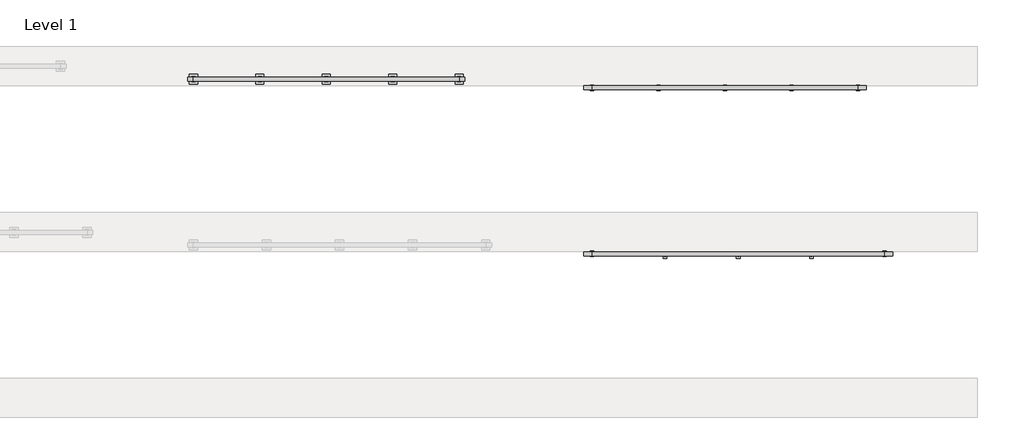
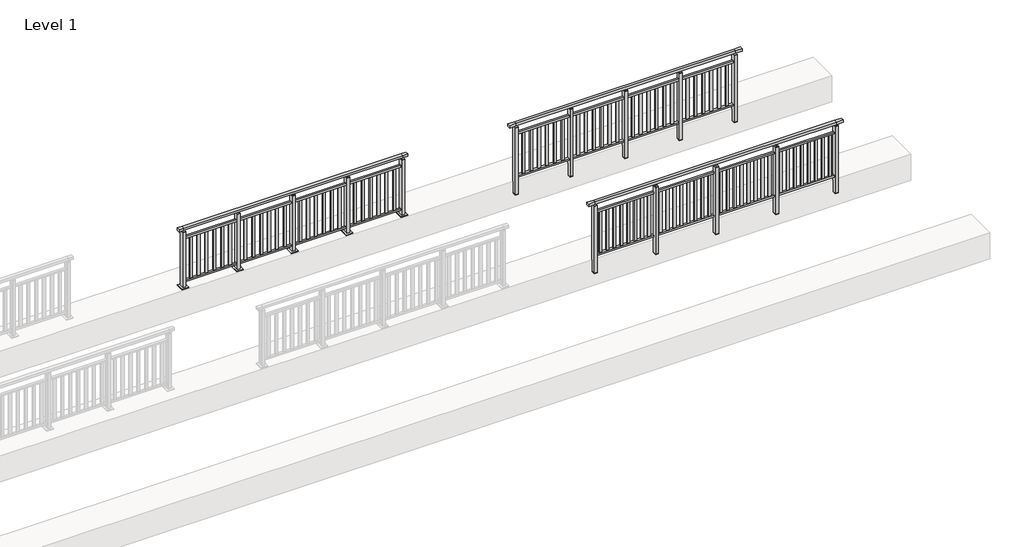
# One storey, part 25 of 38: 3 railings.
"""IFC4 building model written with IfcOpenShell, lengths in millimetres."""

from ifc_helpers import new_model, si_unit, frame, origin, origin_with_axes, place, context, project, spatial, polyline, outline, extrude, faceted_brep, element, save

model = new_model("IFC4")

# Units and contexts
model_context = context("Model", 3, world=origin())
ifc_project = project(units=[si_unit("LENGTHUNIT", "METRE", prefix="MILLI")], contexts=[model_context])

# Site, building, storey
site = spatial("IfcSite", under=ifc_project)
building = spatial("IfcBuilding", under=site)
storey = spatial("IfcBuildingStorey", under=building, Name="Level 1", Elevation=0.0)

# Railings
placement = place(None, origin())
element("IfcRailing", 1, at=placement, inside=storey, context=model_context, shape_type="SolidModel", body=[
    faceted_brep([(12000.0, 34897.6846828, 1102.5), (12000.0, 34897.6846828, 1150.0), (16400.0, 34897.6846828, 1150.0), (16400.0, 34897.6846828, 1102.5), (12000.0, 34837.6846828, 1102.5), (16400.0, 34837.6846828, 1102.5), (12000.0, 34837.6846828, 1150.0), (16400.0, 34837.6846828, 1150.0), (11877.0, 34897.6846828, 1150.0), (11877.0, 34897.6846828, 1102.5), (11877.0, 34837.6846828, 1102.5), (11877.0, 34837.6846828, 1150.0), (16523.0, 34897.6846828, 1150.0), (16523.0, 34837.6846828, 1150.0), (16523.0, 34837.6846828, 1102.5), (16523.0, 34897.6846828, 1102.5)], [[[0, 1, 2, 3]], [[4, 0, 3, 5]], [[6, 4, 5, 7]], [[1, 6, 7, 2]], [[8, 9, 10, 11]], [[9, 8, 1, 0]], [[10, 9, 0, 4]], [[11, 10, 4, 6]], [[8, 11, 6, 1]], [[12, 13, 14, 15]], [[3, 2, 12, 15]], [[5, 3, 15, 14]], [[7, 5, 14, 13]], [[2, 7, 13, 12]]]),
    extrude(outline(polyline([(12000.0, 34849.6846828), (12000.0, 34885.6846828), (16400.0, 34885.6846828), (16400.0, 34849.6846828), (12000.0, 34849.6846828)])), frame((0.0, 0.0, 928.0), z_axis=(0.0, 0.0, 1.0), x_axis=(1.0, 0.0, 0.0)), (0.0, 0.0, 1.0), 32.0),
    extrude(outline(polyline([(12000.0, 34849.6846828), (12000.0, 34885.6846828), (16400.0, 34885.6846828), (16400.0, 34849.6846828), (12000.0, 34849.6846828)])), frame((0.0, 0.0, 93.0), z_axis=(0.0, 0.0, 1.0), x_axis=(1.0, 0.0, 0.0)), (0.0, 0.0, 1.0), 32.0),
    extrude(outline(polyline([(16320.0307263, 34859.1846828), (16271.0307263, 34859.1846828), (16271.0307263, 34876.1846828), (16320.0307263, 34876.1846828), (16320.0307263, 34859.1846828)])), frame((0.0, 0.0, 125.0), z_axis=(0.0, 0.0, 1.0), x_axis=(1.0, 0.0, 0.0)), (0.0, 0.0, 1.0), 803.0),
    extrude(outline(polyline([(16192.736233, 34859.1846828), (16143.736233, 34859.1846828), (16143.736233, 34876.1846828), (16192.736233, 34876.1846828), (16192.736233, 34859.1846828)])), frame((0.0, 0.0, 125.0), z_axis=(0.0, 0.0, 1.0), x_axis=(1.0, 0.0, 0.0)), (0.0, 0.0, 1.0), 803.0),
    extrude(outline(polyline([(16065.4417398, 34859.1846828), (16016.4417398, 34859.1846828), (16016.4417398, 34876.1846828), (16065.4417398, 34876.1846828), (16065.4417398, 34859.1846828)])), frame((0.0, 0.0, 125.0), z_axis=(0.0, 0.0, 1.0), x_axis=(1.0, 0.0, 0.0)), (0.0, 0.0, 1.0), 803.0),
    extrude(outline(polyline([(15938.1472466, 34859.1846828), (15889.1472466, 34859.1846828), (15889.1472466, 34876.1846828), (15938.1472466, 34876.1846828), (15938.1472466, 34859.1846828)])), frame((0.0, 0.0, 125.0), z_axis=(0.0, 0.0, 1.0), x_axis=(1.0, 0.0, 0.0)), (0.0, 0.0, 1.0), 803.0),
    extrude(outline(polyline([(15810.8527534, 34859.1846828), (15761.8527534, 34859.1846828), (15761.8527534, 34876.1846828), (15810.8527534, 34876.1846828), (15810.8527534, 34859.1846828)])), frame((0.0, 0.0, 125.0), z_axis=(0.0, 0.0, 1.0), x_axis=(1.0, 0.0, 0.0)), (0.0, 0.0, 1.0), 803.0),
    extrude(outline(polyline([(15683.5582602, 34859.1846828), (15634.5582602, 34859.1846828), (15634.5582602, 34876.1846828), (15683.5582602, 34876.1846828), (15683.5582602, 34859.1846828)])), frame((0.0, 0.0, 125.0), z_axis=(0.0, 0.0, 1.0), x_axis=(1.0, 0.0, 0.0)), (0.0, 0.0, 1.0), 803.0),
    extrude(outline(polyline([(15556.263767, 34859.1846828), (15507.263767, 34859.1846828), (15507.263767, 34876.1846828), (15556.263767, 34876.1846828), (15556.263767, 34859.1846828)])), frame((0.0, 0.0, 125.0), z_axis=(0.0, 0.0, 1.0), x_axis=(1.0, 0.0, 0.0)), (0.0, 0.0, 1.0), 803.0),
    extrude(outline(polyline([(15428.9692737, 34859.1846828), (15379.9692737, 34859.1846828), (15379.9692737, 34876.1846828), (15428.9692737, 34876.1846828), (15428.9692737, 34859.1846828)])), frame((0.0, 0.0, 125.0), z_axis=(0.0, 0.0, 1.0), x_axis=(1.0, 0.0, 0.0)), (0.0, 0.0, 1.0), 803.0),
    extrude(outline(polyline([(15327.0, 34873.6846828), (15327.0, 34795.6846828), (15273.0, 34795.6846828), (15273.0, 34873.6846828), (15327.0, 34873.6846828)])), frame((0.0, 0.0, 1077.0), z_axis=(0.0, 0.0, 1.0), x_axis=(1.0, 0.0, 0.0)), (0.0, 0.0, 1.0), 8.0),
    extrude(outline(polyline([(15327.0, 34873.6846828), (15327.0, 34795.6846828), (15273.0, 34795.6846828), (15273.0, 34873.6846828), (15327.0, 34873.6846828)])), frame((0.0, 0.0, -212.0), z_axis=(0.0, 0.0, 1.0), x_axis=(1.0, 0.0, 0.0)), (0.0, 0.0, 1.0), 1289.0),
    extrude(outline(polyline([(15310.0, 34844.6846828), (15310.0, 34824.6846828), (15290.0, 34824.6846828), (15290.0, 34844.6846828), (15310.0, 34844.6846828)])), frame((0.0, 0.0, 1085.0), z_axis=(0.0, 0.0, 1.0), x_axis=(1.0, 0.0, 0.0)), (0.0, 0.0, 1.0), 20.0),
    extrude(outline(polyline([(15327.0, 34873.6846828), (15327.0, 34795.6846828), (15273.0, 34795.6846828), (15273.0, 34873.6846828), (15327.0, 34873.6846828)])), frame((0.0, 0.0, -220.0), z_axis=(0.0, 0.0, 1.0), x_axis=(1.0, 0.0, 0.0)), (0.0, 0.0, 1.0), 8.0),
    extrude(outline(polyline([(15220.0307263, 34859.1846828), (15171.0307263, 34859.1846828), (15171.0307263, 34876.1846828), (15220.0307263, 34876.1846828), (15220.0307263, 34859.1846828)])), frame((0.0, 0.0, 125.0), z_axis=(0.0, 0.0, 1.0), x_axis=(1.0, 0.0, 0.0)), (0.0, 0.0, 1.0), 803.0),
    extrude(outline(polyline([(15092.736233, 34859.1846828), (15043.736233, 34859.1846828), (15043.736233, 34876.1846828), (15092.736233, 34876.1846828), (15092.736233, 34859.1846828)])), frame((0.0, 0.0, 125.0), z_axis=(0.0, 0.0, 1.0), x_axis=(1.0, 0.0, 0.0)), (0.0, 0.0, 1.0), 803.0),
    extrude(outline(polyline([(14965.4417398, 34859.1846828), (14916.4417398, 34859.1846828), (14916.4417398, 34876.1846828), (14965.4417398, 34876.1846828), (14965.4417398, 34859.1846828)])), frame((0.0, 0.0, 125.0), z_axis=(0.0, 0.0, 1.0), x_axis=(1.0, 0.0, 0.0)), (0.0, 0.0, 1.0), 803.0),
    extrude(outline(polyline([(14838.1472466, 34859.1846828), (14789.1472466, 34859.1846828), (14789.1472466, 34876.1846828), (14838.1472466, 34876.1846828), (14838.1472466, 34859.1846828)])), frame((0.0, 0.0, 125.0), z_axis=(0.0, 0.0, 1.0), x_axis=(1.0, 0.0, 0.0)), (0.0, 0.0, 1.0), 803.0),
    extrude(outline(polyline([(14710.8527534, 34859.1846828), (14661.8527534, 34859.1846828), (14661.8527534, 34876.1846828), (14710.8527534, 34876.1846828), (14710.8527534, 34859.1846828)])), frame((0.0, 0.0, 125.0), z_axis=(0.0, 0.0, 1.0), x_axis=(1.0, 0.0, 0.0)), (0.0, 0.0, 1.0), 803.0),
    extrude(outline(polyline([(14583.5582602, 34859.1846828), (14534.5582602, 34859.1846828), (14534.5582602, 34876.1846828), (14583.5582602, 34876.1846828), (14583.5582602, 34859.1846828)])), frame((0.0, 0.0, 125.0), z_axis=(0.0, 0.0, 1.0), x_axis=(1.0, 0.0, 0.0)), (0.0, 0.0, 1.0), 803.0),
    extrude(outline(polyline([(14456.263767, 34859.1846828), (14407.263767, 34859.1846828), (14407.263767, 34876.1846828), (14456.263767, 34876.1846828), (14456.263767, 34859.1846828)])), frame((0.0, 0.0, 125.0), z_axis=(0.0, 0.0, 1.0), x_axis=(1.0, 0.0, 0.0)), (0.0, 0.0, 1.0), 803.0),
    extrude(outline(polyline([(14328.9692737, 34859.1846828), (14279.9692737, 34859.1846828), (14279.9692737, 34876.1846828), (14328.9692737, 34876.1846828), (14328.9692737, 34859.1846828)])), frame((0.0, 0.0, 125.0), z_axis=(0.0, 0.0, 1.0), x_axis=(1.0, 0.0, 0.0)), (0.0, 0.0, 1.0), 803.0),
    extrude(outline(polyline([(14227.0, 34873.6846828), (14227.0, 34795.6846828), (14173.0, 34795.6846828), (14173.0, 34873.6846828), (14227.0, 34873.6846828)])), frame((0.0, 0.0, 1077.0), z_axis=(0.0, 0.0, 1.0), x_axis=(1.0, 0.0, 0.0)), (0.0, 0.0, 1.0), 8.0),
    extrude(outline(polyline([(14227.0, 34873.6846828), (14227.0, 34795.6846828), (14173.0, 34795.6846828), (14173.0, 34873.6846828), (14227.0, 34873.6846828)])), frame((0.0, 0.0, -212.0), z_axis=(0.0, 0.0, 1.0), x_axis=(1.0, 0.0, 0.0)), (0.0, 0.0, 1.0), 1289.0),
    extrude(outline(polyline([(14210.0, 34844.6846828), (14210.0, 34824.6846828), (14190.0, 34824.6846828), (14190.0, 34844.6846828), (14210.0, 34844.6846828)])), frame((0.0, 0.0, 1085.0), z_axis=(0.0, 0.0, 1.0), x_axis=(1.0, 0.0, 0.0)), (0.0, 0.0, 1.0), 20.0),
    extrude(outline(polyline([(14227.0, 34873.6846828), (14227.0, 34795.6846828), (14173.0, 34795.6846828), (14173.0, 34873.6846828), (14227.0, 34873.6846828)])), frame((0.0, 0.0, -220.0), z_axis=(0.0, 0.0, 1.0), x_axis=(1.0, 0.0, 0.0)), (0.0, 0.0, 1.0), 8.0),
    extrude(outline(polyline([(14120.0307263, 34859.1846828), (14071.0307263, 34859.1846828), (14071.0307263, 34876.1846828), (14120.0307263, 34876.1846828), (14120.0307263, 34859.1846828)])), frame((0.0, 0.0, 125.0), z_axis=(0.0, 0.0, 1.0), x_axis=(1.0, 0.0, 0.0)), (0.0, 0.0, 1.0), 803.0),
    extrude(outline(polyline([(13992.736233, 34859.1846828), (13943.736233, 34859.1846828), (13943.736233, 34876.1846828), (13992.736233, 34876.1846828), (13992.736233, 34859.1846828)])), frame((0.0, 0.0, 125.0), z_axis=(0.0, 0.0, 1.0), x_axis=(1.0, 0.0, 0.0)), (0.0, 0.0, 1.0), 803.0),
    extrude(outline(polyline([(13865.4417398, 34859.1846828), (13816.4417398, 34859.1846828), (13816.4417398, 34876.1846828), (13865.4417398, 34876.1846828), (13865.4417398, 34859.1846828)])), frame((0.0, 0.0, 125.0), z_axis=(0.0, 0.0, 1.0), x_axis=(1.0, 0.0, 0.0)), (0.0, 0.0, 1.0), 803.0),
    extrude(outline(polyline([(13738.1472466, 34859.1846828), (13689.1472466, 34859.1846828), (13689.1472466, 34876.1846828), (13738.1472466, 34876.1846828), (13738.1472466, 34859.1846828)])), frame((0.0, 0.0, 125.0), z_axis=(0.0, 0.0, 1.0), x_axis=(1.0, 0.0, 0.0)), (0.0, 0.0, 1.0), 803.0),
    extrude(outline(polyline([(13610.8527534, 34859.1846828), (13561.8527534, 34859.1846828), (13561.8527534, 34876.1846828), (13610.8527534, 34876.1846828), (13610.8527534, 34859.1846828)])), frame((0.0, 0.0, 125.0), z_axis=(0.0, 0.0, 1.0), x_axis=(1.0, 0.0, 0.0)), (0.0, 0.0, 1.0), 803.0),
    extrude(outline(polyline([(13483.5582602, 34859.1846828), (13434.5582602, 34859.1846828), (13434.5582602, 34876.1846828), (13483.5582602, 34876.1846828), (13483.5582602, 34859.1846828)])), frame((0.0, 0.0, 125.0), z_axis=(0.0, 0.0, 1.0), x_axis=(1.0, 0.0, 0.0)), (0.0, 0.0, 1.0), 803.0),
    extrude(outline(polyline([(13356.263767, 34859.1846828), (13307.263767, 34859.1846828), (13307.263767, 34876.1846828), (13356.263767, 34876.1846828), (13356.263767, 34859.1846828)])), frame((0.0, 0.0, 125.0), z_axis=(0.0, 0.0, 1.0), x_axis=(1.0, 0.0, 0.0)), (0.0, 0.0, 1.0), 803.0),
    extrude(outline(polyline([(13228.9692737, 34859.1846828), (13179.9692737, 34859.1846828), (13179.9692737, 34876.1846828), (13228.9692737, 34876.1846828), (13228.9692737, 34859.1846828)])), frame((0.0, 0.0, 125.0), z_axis=(0.0, 0.0, 1.0), x_axis=(1.0, 0.0, 0.0)), (0.0, 0.0, 1.0), 803.0),
    extrude(outline(polyline([(13127.0, 34873.6846828), (13127.0, 34795.6846828), (13073.0, 34795.6846828), (13073.0, 34873.6846828), (13127.0, 34873.6846828)])), frame((0.0, 0.0, 1077.0), z_axis=(0.0, 0.0, 1.0), x_axis=(1.0, 0.0, 0.0)), (0.0, 0.0, 1.0), 8.0),
    extrude(outline(polyline([(13127.0, 34873.6846828), (13127.0, 34795.6846828), (13073.0, 34795.6846828), (13073.0, 34873.6846828), (13127.0, 34873.6846828)])), frame((0.0, 0.0, -212.0), z_axis=(0.0, 0.0, 1.0), x_axis=(1.0, 0.0, 0.0)), (0.0, 0.0, 1.0), 1289.0),
    extrude(outline(polyline([(13110.0, 34844.6846828), (13110.0, 34824.6846828), (13090.0, 34824.6846828), (13090.0, 34844.6846828), (13110.0, 34844.6846828)])), frame((0.0, 0.0, 1085.0), z_axis=(0.0, 0.0, 1.0), x_axis=(1.0, 0.0, 0.0)), (0.0, 0.0, 1.0), 20.0),
    extrude(outline(polyline([(13127.0, 34873.6846828), (13127.0, 34795.6846828), (13073.0, 34795.6846828), (13073.0, 34873.6846828), (13127.0, 34873.6846828)])), frame((0.0, 0.0, -220.0), z_axis=(0.0, 0.0, 1.0), x_axis=(1.0, 0.0, 0.0)), (0.0, 0.0, 1.0), 8.0),
    extrude(outline(polyline([(13020.0307263, 34859.1846828), (12971.0307263, 34859.1846828), (12971.0307263, 34876.1846828), (13020.0307263, 34876.1846828), (13020.0307263, 34859.1846828)])), frame((0.0, 0.0, 125.0), z_axis=(0.0, 0.0, 1.0), x_axis=(1.0, 0.0, 0.0)), (0.0, 0.0, 1.0), 803.0),
    extrude(outline(polyline([(12892.736233, 34859.1846828), (12843.736233, 34859.1846828), (12843.736233, 34876.1846828), (12892.736233, 34876.1846828), (12892.736233, 34859.1846828)])), frame((0.0, 0.0, 125.0), z_axis=(0.0, 0.0, 1.0), x_axis=(1.0, 0.0, 0.0)), (0.0, 0.0, 1.0), 803.0),
    extrude(outline(polyline([(12765.4417398, 34859.1846828), (12716.4417398, 34859.1846828), (12716.4417398, 34876.1846828), (12765.4417398, 34876.1846828), (12765.4417398, 34859.1846828)])), frame((0.0, 0.0, 125.0), z_axis=(0.0, 0.0, 1.0), x_axis=(1.0, 0.0, 0.0)), (0.0, 0.0, 1.0), 803.0),
    extrude(outline(polyline([(12638.1472466, 34859.1846828), (12589.1472466, 34859.1846828), (12589.1472466, 34876.1846828), (12638.1472466, 34876.1846828), (12638.1472466, 34859.1846828)])), frame((0.0, 0.0, 125.0), z_axis=(0.0, 0.0, 1.0), x_axis=(1.0, 0.0, 0.0)), (0.0, 0.0, 1.0), 803.0),
    extrude(outline(polyline([(12510.8527534, 34859.1846828), (12461.8527534, 34859.1846828), (12461.8527534, 34876.1846828), (12510.8527534, 34876.1846828), (12510.8527534, 34859.1846828)])), frame((0.0, 0.0, 125.0), z_axis=(0.0, 0.0, 1.0), x_axis=(1.0, 0.0, 0.0)), (0.0, 0.0, 1.0), 803.0),
    extrude(outline(polyline([(12383.5582602, 34859.1846828), (12334.5582602, 34859.1846828), (12334.5582602, 34876.1846828), (12383.5582602, 34876.1846828), (12383.5582602, 34859.1846828)])), frame((0.0, 0.0, 125.0), z_axis=(0.0, 0.0, 1.0), x_axis=(1.0, 0.0, 0.0)), (0.0, 0.0, 1.0), 803.0),
    extrude(outline(polyline([(12256.263767, 34859.1846828), (12207.263767, 34859.1846828), (12207.263767, 34876.1846828), (12256.263767, 34876.1846828), (12256.263767, 34859.1846828)])), frame((0.0, 0.0, 125.0), z_axis=(0.0, 0.0, 1.0), x_axis=(1.0, 0.0, 0.0)), (0.0, 0.0, 1.0), 803.0),
    extrude(outline(polyline([(12128.9692737, 34859.1846828), (12079.9692737, 34859.1846828), (12079.9692737, 34876.1846828), (12128.9692737, 34876.1846828), (12128.9692737, 34859.1846828)])), frame((0.0, 0.0, 125.0), z_axis=(0.0, 0.0, 1.0), x_axis=(1.0, 0.0, 0.0)), (0.0, 0.0, 1.0), 803.0),
    extrude(outline(polyline([(16427.0, 34906.6846828), (16427.0, 34828.6846828), (16373.0, 34828.6846828), (16373.0, 34906.6846828), (16427.0, 34906.6846828)])), frame((0.0, 0.0, 1077.0), z_axis=(0.0, 0.0, 1.0), x_axis=(1.0, 0.0, 0.0)), (0.0, 0.0, 1.0), 8.0),
    extrude(outline(polyline([(16427.0, 34906.6846828), (16427.0, 34828.6846828), (16373.0, 34828.6846828), (16373.0, 34906.6846828), (16427.0, 34906.6846828)])), frame((0.0, 0.0, -212.0), z_axis=(0.0, 0.0, 1.0), x_axis=(1.0, 0.0, 0.0)), (0.0, 0.0, 1.0), 1289.0),
    extrude(outline(polyline([(16410.0, 34877.6846828), (16410.0, 34857.6846828), (16390.0, 34857.6846828), (16390.0, 34877.6846828), (16410.0, 34877.6846828)])), frame((0.0, 0.0, 1085.0), z_axis=(0.0, 0.0, 1.0), x_axis=(1.0, 0.0, 0.0)), (0.0, 0.0, 1.0), 20.0),
    extrude(outline(polyline([(16427.0, 34906.6846828), (16427.0, 34828.6846828), (16373.0, 34828.6846828), (16373.0, 34906.6846828), (16427.0, 34906.6846828)])), frame((0.0, 0.0, -220.0), z_axis=(0.0, 0.0, 1.0), x_axis=(1.0, 0.0, 0.0)), (0.0, 0.0, 1.0), 8.0),
    extrude(outline(polyline([(12027.0, 34906.6846828), (12027.0, 34828.6846828), (11973.0, 34828.6846828), (11973.0, 34906.6846828), (12027.0, 34906.6846828)])), frame((0.0, 0.0, 1077.0), z_axis=(0.0, 0.0, 1.0), x_axis=(1.0, 0.0, 0.0)), (0.0, 0.0, 1.0), 8.0),
    extrude(outline(polyline([(12027.0, 34906.6846828), (12027.0, 34828.6846828), (11973.0, 34828.6846828), (11973.0, 34906.6846828), (12027.0, 34906.6846828)])), frame((0.0, 0.0, -212.0), z_axis=(0.0, 0.0, 1.0), x_axis=(1.0, 0.0, 0.0)), (0.0, 0.0, 1.0), 1289.0),
    extrude(outline(polyline([(12010.0, 34877.6846828), (12010.0, 34857.6846828), (11990.0, 34857.6846828), (11990.0, 34877.6846828), (12010.0, 34877.6846828)])), frame((0.0, 0.0, 1085.0), z_axis=(0.0, 0.0, 1.0), x_axis=(1.0, 0.0, 0.0)), (0.0, 0.0, 1.0), 20.0),
    extrude(outline(polyline([(12027.0, 34906.6846828), (12027.0, 34828.6846828), (11973.0, 34828.6846828), (11973.0, 34906.6846828), (12027.0, 34906.6846828)])), frame((0.0, 0.0, -220.0), z_axis=(0.0, 0.0, 1.0), x_axis=(1.0, 0.0, 0.0)), (0.0, 0.0, 1.0), 8.0),
])
element("IfcRailing", 2, at=placement, inside=storey, context=model_context, shape_type="SolidModel", body=[
    faceted_brep([(12000.0, 37397.6846828, 1102.5), (12000.0, 37397.6846828, 1150.0), (16000.0, 37397.6846828, 1150.0), (16000.0, 37397.6846828, 1102.5), (12000.0, 37337.6846828, 1102.5), (16000.0, 37337.6846828, 1102.5), (12000.0, 37337.6846828, 1150.0), (16000.0, 37337.6846828, 1150.0), (11877.0, 37397.6846828, 1150.0), (11877.0, 37397.6846828, 1102.5), (11877.0, 37337.6846828, 1102.5), (11877.0, 37337.6846828, 1150.0), (16123.0, 37397.6846828, 1150.0), (16123.0, 37337.6846828, 1150.0), (16123.0, 37337.6846828, 1102.5), (16123.0, 37397.6846828, 1102.5)], [[[0, 1, 2, 3]], [[4, 0, 3, 5]], [[6, 4, 5, 7]], [[1, 6, 7, 2]], [[8, 9, 10, 11]], [[9, 8, 1, 0]], [[10, 9, 0, 4]], [[11, 10, 4, 6]], [[8, 11, 6, 1]], [[12, 13, 14, 15]], [[3, 2, 12, 15]], [[5, 3, 15, 14]], [[7, 5, 14, 13]], [[2, 7, 13, 12]]]),
    extrude(outline(polyline([(12000.0, 37349.6846828), (12000.0, 37385.6846828), (16000.0, 37385.6846828), (16000.0, 37349.6846828), (12000.0, 37349.6846828)])), frame((0.0, 0.0, 928.0), z_axis=(0.0, 0.0, 1.0), x_axis=(1.0, 0.0, 0.0)), (0.0, 0.0, 1.0), 32.0),
    extrude(outline(polyline([(12000.0, 37349.6846828), (12000.0, 37385.6846828), (16000.0, 37385.6846828), (16000.0, 37349.6846828), (12000.0, 37349.6846828)])), frame((0.0, 0.0, 93.0), z_axis=(0.0, 0.0, 1.0), x_axis=(1.0, 0.0, 0.0)), (0.0, 0.0, 1.0), 32.0),
    extrude(outline(polyline([(15884.480139, 37359.1846828), (15835.480139, 37359.1846828), (15835.480139, 37376.1846828), (15884.480139, 37376.1846828), (15884.480139, 37359.1846828)])), frame((0.0, 0.0, 125.0), z_axis=(0.0, 0.0, 1.0), x_axis=(1.0, 0.0, 0.0)), (0.0, 0.0, 1.0), 803.0),
    extrude(outline(polyline([(15740.4880834, 37359.1846828), (15691.4880834, 37359.1846828), (15691.4880834, 37376.1846828), (15740.4880834, 37376.1846828), (15740.4880834, 37359.1846828)])), frame((0.0, 0.0, 125.0), z_axis=(0.0, 0.0, 1.0), x_axis=(1.0, 0.0, 0.0)), (0.0, 0.0, 1.0), 803.0),
    extrude(outline(polyline([(15596.4960278, 37359.1846828), (15547.4960278, 37359.1846828), (15547.4960278, 37376.1846828), (15596.4960278, 37376.1846828), (15596.4960278, 37359.1846828)])), frame((0.0, 0.0, 125.0), z_axis=(0.0, 0.0, 1.0), x_axis=(1.0, 0.0, 0.0)), (0.0, 0.0, 1.0), 803.0),
    extrude(outline(polyline([(15452.5039722, 37359.1846828), (15403.5039722, 37359.1846828), (15403.5039722, 37376.1846828), (15452.5039722, 37376.1846828), (15452.5039722, 37359.1846828)])), frame((0.0, 0.0, 125.0), z_axis=(0.0, 0.0, 1.0), x_axis=(1.0, 0.0, 0.0)), (0.0, 0.0, 1.0), 803.0),
    extrude(outline(polyline([(15308.5119166, 37359.1846828), (15259.5119166, 37359.1846828), (15259.5119166, 37376.1846828), (15308.5119166, 37376.1846828), (15308.5119166, 37359.1846828)])), frame((0.0, 0.0, 125.0), z_axis=(0.0, 0.0, 1.0), x_axis=(1.0, 0.0, 0.0)), (0.0, 0.0, 1.0), 803.0),
    extrude(outline(polyline([(15164.519861, 37359.1846828), (15115.519861, 37359.1846828), (15115.519861, 37376.1846828), (15164.519861, 37376.1846828), (15164.519861, 37359.1846828)])), frame((0.0, 0.0, 125.0), z_axis=(0.0, 0.0, 1.0), x_axis=(1.0, 0.0, 0.0)), (0.0, 0.0, 1.0), 803.0),
    extrude(outline(polyline([(15027.0, 37406.6846828), (15027.0, 37328.6846828), (14973.0, 37328.6846828), (14973.0, 37406.6846828), (15027.0, 37406.6846828)])), frame((0.0, 0.0, 1077.0), z_axis=(0.0, 0.0, 1.0), x_axis=(1.0, 0.0, 0.0)), (0.0, 0.0, 1.0), 8.0),
    extrude(outline(polyline([(15027.0, 37406.6846828), (15027.0, 37328.6846828), (14973.0, 37328.6846828), (14973.0, 37406.6846828), (15027.0, 37406.6846828)])), frame((0.0, 0.0, -212.0), z_axis=(0.0, 0.0, 1.0), x_axis=(1.0, 0.0, 0.0)), (0.0, 0.0, 1.0), 1289.0),
    extrude(outline(polyline([(15010.0, 37377.6846828), (15010.0, 37357.6846828), (14990.0, 37357.6846828), (14990.0, 37377.6846828), (15010.0, 37377.6846828)])), frame((0.0, 0.0, 1085.0), z_axis=(0.0, 0.0, 1.0), x_axis=(1.0, 0.0, 0.0)), (0.0, 0.0, 1.0), 20.0),
    extrude(outline(polyline([(15027.0, 37406.6846828), (15027.0, 37328.6846828), (14973.0, 37328.6846828), (14973.0, 37406.6846828), (15027.0, 37406.6846828)])), frame((0.0, 0.0, -220.0), z_axis=(0.0, 0.0, 1.0), x_axis=(1.0, 0.0, 0.0)), (0.0, 0.0, 1.0), 8.0),
    extrude(outline(polyline([(14884.480139, 37359.1846828), (14835.480139, 37359.1846828), (14835.480139, 37376.1846828), (14884.480139, 37376.1846828), (14884.480139, 37359.1846828)])), frame((0.0, 0.0, 125.0), z_axis=(0.0, 0.0, 1.0), x_axis=(1.0, 0.0, 0.0)), (0.0, 0.0, 1.0), 803.0),
    extrude(outline(polyline([(14740.4880834, 37359.1846828), (14691.4880834, 37359.1846828), (14691.4880834, 37376.1846828), (14740.4880834, 37376.1846828), (14740.4880834, 37359.1846828)])), frame((0.0, 0.0, 125.0), z_axis=(0.0, 0.0, 1.0), x_axis=(1.0, 0.0, 0.0)), (0.0, 0.0, 1.0), 803.0),
    extrude(outline(polyline([(14596.4960278, 37359.1846828), (14547.4960278, 37359.1846828), (14547.4960278, 37376.1846828), (14596.4960278, 37376.1846828), (14596.4960278, 37359.1846828)])), frame((0.0, 0.0, 125.0), z_axis=(0.0, 0.0, 1.0), x_axis=(1.0, 0.0, 0.0)), (0.0, 0.0, 1.0), 803.0),
    extrude(outline(polyline([(14452.5039722, 37359.1846828), (14403.5039722, 37359.1846828), (14403.5039722, 37376.1846828), (14452.5039722, 37376.1846828), (14452.5039722, 37359.1846828)])), frame((0.0, 0.0, 125.0), z_axis=(0.0, 0.0, 1.0), x_axis=(1.0, 0.0, 0.0)), (0.0, 0.0, 1.0), 803.0),
    extrude(outline(polyline([(14308.5119166, 37359.1846828), (14259.5119166, 37359.1846828), (14259.5119166, 37376.1846828), (14308.5119166, 37376.1846828), (14308.5119166, 37359.1846828)])), frame((0.0, 0.0, 125.0), z_axis=(0.0, 0.0, 1.0), x_axis=(1.0, 0.0, 0.0)), (0.0, 0.0, 1.0), 803.0),
    extrude(outline(polyline([(14164.519861, 37359.1846828), (14115.519861, 37359.1846828), (14115.519861, 37376.1846828), (14164.519861, 37376.1846828), (14164.519861, 37359.1846828)])), frame((0.0, 0.0, 125.0), z_axis=(0.0, 0.0, 1.0), x_axis=(1.0, 0.0, 0.0)), (0.0, 0.0, 1.0), 803.0),
    extrude(outline(polyline([(14027.0, 37406.6846828), (14027.0, 37328.6846828), (13973.0, 37328.6846828), (13973.0, 37406.6846828), (14027.0, 37406.6846828)])), frame((0.0, 0.0, 1077.0), z_axis=(0.0, 0.0, 1.0), x_axis=(1.0, 0.0, 0.0)), (0.0, 0.0, 1.0), 8.0),
    extrude(outline(polyline([(14027.0, 37406.6846828), (14027.0, 37328.6846828), (13973.0, 37328.6846828), (13973.0, 37406.6846828), (14027.0, 37406.6846828)])), frame((0.0, 0.0, -212.0), z_axis=(0.0, 0.0, 1.0), x_axis=(1.0, 0.0, 0.0)), (0.0, 0.0, 1.0), 1289.0),
    extrude(outline(polyline([(14010.0, 37377.6846828), (14010.0, 37357.6846828), (13990.0, 37357.6846828), (13990.0, 37377.6846828), (14010.0, 37377.6846828)])), frame((0.0, 0.0, 1085.0), z_axis=(0.0, 0.0, 1.0), x_axis=(1.0, 0.0, 0.0)), (0.0, 0.0, 1.0), 20.0),
    extrude(outline(polyline([(14027.0, 37406.6846828), (14027.0, 37328.6846828), (13973.0, 37328.6846828), (13973.0, 37406.6846828), (14027.0, 37406.6846828)])), frame((0.0, 0.0, -220.0), z_axis=(0.0, 0.0, 1.0), x_axis=(1.0, 0.0, 0.0)), (0.0, 0.0, 1.0), 8.0),
    extrude(outline(polyline([(13884.480139, 37359.1846828), (13835.480139, 37359.1846828), (13835.480139, 37376.1846828), (13884.480139, 37376.1846828), (13884.480139, 37359.1846828)])), frame((0.0, 0.0, 125.0), z_axis=(0.0, 0.0, 1.0), x_axis=(1.0, 0.0, 0.0)), (0.0, 0.0, 1.0), 803.0),
    extrude(outline(polyline([(13740.4880834, 37359.1846828), (13691.4880834, 37359.1846828), (13691.4880834, 37376.1846828), (13740.4880834, 37376.1846828), (13740.4880834, 37359.1846828)])), frame((0.0, 0.0, 125.0), z_axis=(0.0, 0.0, 1.0), x_axis=(1.0, 0.0, 0.0)), (0.0, 0.0, 1.0), 803.0),
    extrude(outline(polyline([(13596.4960278, 37359.1846828), (13547.4960278, 37359.1846828), (13547.4960278, 37376.1846828), (13596.4960278, 37376.1846828), (13596.4960278, 37359.1846828)])), frame((0.0, 0.0, 125.0), z_axis=(0.0, 0.0, 1.0), x_axis=(1.0, 0.0, 0.0)), (0.0, 0.0, 1.0), 803.0),
    extrude(outline(polyline([(13452.5039722, 37359.1846828), (13403.5039722, 37359.1846828), (13403.5039722, 37376.1846828), (13452.5039722, 37376.1846828), (13452.5039722, 37359.1846828)])), frame((0.0, 0.0, 125.0), z_axis=(0.0, 0.0, 1.0), x_axis=(1.0, 0.0, 0.0)), (0.0, 0.0, 1.0), 803.0),
    extrude(outline(polyline([(13308.5119166, 37359.1846828), (13259.5119166, 37359.1846828), (13259.5119166, 37376.1846828), (13308.5119166, 37376.1846828), (13308.5119166, 37359.1846828)])), frame((0.0, 0.0, 125.0), z_axis=(0.0, 0.0, 1.0), x_axis=(1.0, 0.0, 0.0)), (0.0, 0.0, 1.0), 803.0),
    extrude(outline(polyline([(13164.519861, 37359.1846828), (13115.519861, 37359.1846828), (13115.519861, 37376.1846828), (13164.519861, 37376.1846828), (13164.519861, 37359.1846828)])), frame((0.0, 0.0, 125.0), z_axis=(0.0, 0.0, 1.0), x_axis=(1.0, 0.0, 0.0)), (0.0, 0.0, 1.0), 803.0),
    extrude(outline(polyline([(13027.0, 37406.6846828), (13027.0, 37328.6846828), (12973.0, 37328.6846828), (12973.0, 37406.6846828), (13027.0, 37406.6846828)])), frame((0.0, 0.0, 1077.0), z_axis=(0.0, 0.0, 1.0), x_axis=(1.0, 0.0, 0.0)), (0.0, 0.0, 1.0), 8.0),
    extrude(outline(polyline([(13027.0, 37406.6846828), (13027.0, 37328.6846828), (12973.0, 37328.6846828), (12973.0, 37406.6846828), (13027.0, 37406.6846828)])), frame((0.0, 0.0, -212.0), z_axis=(0.0, 0.0, 1.0), x_axis=(1.0, 0.0, 0.0)), (0.0, 0.0, 1.0), 1289.0),
    extrude(outline(polyline([(13010.0, 37377.6846828), (13010.0, 37357.6846828), (12990.0, 37357.6846828), (12990.0, 37377.6846828), (13010.0, 37377.6846828)])), frame((0.0, 0.0, 1085.0), z_axis=(0.0, 0.0, 1.0), x_axis=(1.0, 0.0, 0.0)), (0.0, 0.0, 1.0), 20.0),
    extrude(outline(polyline([(13027.0, 37406.6846828), (13027.0, 37328.6846828), (12973.0, 37328.6846828), (12973.0, 37406.6846828), (13027.0, 37406.6846828)])), frame((0.0, 0.0, -220.0), z_axis=(0.0, 0.0, 1.0), x_axis=(1.0, 0.0, 0.0)), (0.0, 0.0, 1.0), 8.0),
    extrude(outline(polyline([(12884.480139, 37359.1846828), (12835.480139, 37359.1846828), (12835.480139, 37376.1846828), (12884.480139, 37376.1846828), (12884.480139, 37359.1846828)])), frame((0.0, 0.0, 125.0), z_axis=(0.0, 0.0, 1.0), x_axis=(1.0, 0.0, 0.0)), (0.0, 0.0, 1.0), 803.0),
    extrude(outline(polyline([(12740.4880834, 37359.1846828), (12691.4880834, 37359.1846828), (12691.4880834, 37376.1846828), (12740.4880834, 37376.1846828), (12740.4880834, 37359.1846828)])), frame((0.0, 0.0, 125.0), z_axis=(0.0, 0.0, 1.0), x_axis=(1.0, 0.0, 0.0)), (0.0, 0.0, 1.0), 803.0),
    extrude(outline(polyline([(12596.4960278, 37359.1846828), (12547.4960278, 37359.1846828), (12547.4960278, 37376.1846828), (12596.4960278, 37376.1846828), (12596.4960278, 37359.1846828)])), frame((0.0, 0.0, 125.0), z_axis=(0.0, 0.0, 1.0), x_axis=(1.0, 0.0, 0.0)), (0.0, 0.0, 1.0), 803.0),
    extrude(outline(polyline([(12452.5039722, 37359.1846828), (12403.5039722, 37359.1846828), (12403.5039722, 37376.1846828), (12452.5039722, 37376.1846828), (12452.5039722, 37359.1846828)])), frame((0.0, 0.0, 125.0), z_axis=(0.0, 0.0, 1.0), x_axis=(1.0, 0.0, 0.0)), (0.0, 0.0, 1.0), 803.0),
    extrude(outline(polyline([(12308.5119166, 37359.1846828), (12259.5119166, 37359.1846828), (12259.5119166, 37376.1846828), (12308.5119166, 37376.1846828), (12308.5119166, 37359.1846828)])), frame((0.0, 0.0, 125.0), z_axis=(0.0, 0.0, 1.0), x_axis=(1.0, 0.0, 0.0)), (0.0, 0.0, 1.0), 803.0),
    extrude(outline(polyline([(12164.519861, 37359.1846828), (12115.519861, 37359.1846828), (12115.519861, 37376.1846828), (12164.519861, 37376.1846828), (12164.519861, 37359.1846828)])), frame((0.0, 0.0, 125.0), z_axis=(0.0, 0.0, 1.0), x_axis=(1.0, 0.0, 0.0)), (0.0, 0.0, 1.0), 803.0),
    extrude(outline(polyline([(16027.0, 37406.6846828), (16027.0, 37328.6846828), (15973.0, 37328.6846828), (15973.0, 37406.6846828), (16027.0, 37406.6846828)])), frame((0.0, 0.0, 1077.0), z_axis=(0.0, 0.0, 1.0), x_axis=(1.0, 0.0, 0.0)), (0.0, 0.0, 1.0), 8.0),
    extrude(outline(polyline([(16027.0, 37406.6846828), (16027.0, 37328.6846828), (15973.0, 37328.6846828), (15973.0, 37406.6846828), (16027.0, 37406.6846828)])), frame((0.0, 0.0, -212.0), z_axis=(0.0, 0.0, 1.0), x_axis=(1.0, 0.0, 0.0)), (0.0, 0.0, 1.0), 1289.0),
    extrude(outline(polyline([(16010.0, 37377.6846828), (16010.0, 37357.6846828), (15990.0, 37357.6846828), (15990.0, 37377.6846828), (16010.0, 37377.6846828)])), frame((0.0, 0.0, 1085.0), z_axis=(0.0, 0.0, 1.0), x_axis=(1.0, 0.0, 0.0)), (0.0, 0.0, 1.0), 20.0),
    extrude(outline(polyline([(16027.0, 37406.6846828), (16027.0, 37328.6846828), (15973.0, 37328.6846828), (15973.0, 37406.6846828), (16027.0, 37406.6846828)])), frame((0.0, 0.0, -220.0), z_axis=(0.0, 0.0, 1.0), x_axis=(1.0, 0.0, 0.0)), (0.0, 0.0, 1.0), 8.0),
    extrude(outline(polyline([(12027.0, 37406.6846828), (12027.0, 37328.6846828), (11973.0, 37328.6846828), (11973.0, 37406.6846828), (12027.0, 37406.6846828)])), frame((0.0, 0.0, 1077.0), z_axis=(0.0, 0.0, 1.0), x_axis=(1.0, 0.0, 0.0)), (0.0, 0.0, 1.0), 8.0),
    extrude(outline(polyline([(12027.0, 37406.6846828), (12027.0, 37328.6846828), (11973.0, 37328.6846828), (11973.0, 37406.6846828), (12027.0, 37406.6846828)])), frame((0.0, 0.0, -212.0), z_axis=(0.0, 0.0, 1.0), x_axis=(1.0, 0.0, 0.0)), (0.0, 0.0, 1.0), 1289.0),
    extrude(outline(polyline([(12010.0, 37377.6846828), (12010.0, 37357.6846828), (11990.0, 37357.6846828), (11990.0, 37377.6846828), (12010.0, 37377.6846828)])), frame((0.0, 0.0, 1085.0), z_axis=(0.0, 0.0, 1.0), x_axis=(1.0, 0.0, 0.0)), (0.0, 0.0, 1.0), 20.0),
    extrude(outline(polyline([(12027.0, 37406.6846828), (12027.0, 37328.6846828), (11973.0, 37328.6846828), (11973.0, 37406.6846828), (12027.0, 37406.6846828)])), frame((0.0, 0.0, -220.0), z_axis=(0.0, 0.0, 1.0), x_axis=(1.0, 0.0, 0.0)), (0.0, 0.0, 1.0), 8.0),
])
element("IfcRailing", 3, at=placement, inside=storey, context=model_context, shape_type="SolidModel", body=[
    faceted_brep([(6000.0, 37530.1846828, 1102.5), (6000.0, 37530.1846828, 1150.0), (10000.0, 37530.1846828, 1150.0), (10000.0, 37530.1846828, 1102.5), (6000.0, 37470.1846828, 1102.5), (10000.0, 37470.1846828, 1102.5), (6000.0, 37470.1846828, 1150.0), (10000.0, 37470.1846828, 1150.0), (5912.5, 37530.1846828, 1150.0), (5912.5, 37530.1846828, 1102.5), (5912.5, 37470.1846828, 1102.5), (5912.5, 37470.1846828, 1150.0), (10087.5, 37530.1846828, 1150.0), (10087.5, 37470.1846828, 1150.0), (10087.5, 37470.1846828, 1102.5), (10087.5, 37530.1846828, 1102.5)], [[[0, 1, 2, 3]], [[4, 0, 3, 5]], [[6, 4, 5, 7]], [[1, 6, 7, 2]], [[8, 9, 10, 11]], [[9, 8, 1, 0]], [[10, 9, 0, 4]], [[11, 10, 4, 6]], [[8, 11, 6, 1]], [[12, 13, 14, 15]], [[3, 2, 12, 15]], [[5, 3, 15, 14]], [[7, 5, 14, 13]], [[2, 7, 13, 12]]]),
    extrude(outline(polyline([(6000.0, 37482.1846828), (6000.0, 37518.1846828), (10000.0, 37518.1846828), (10000.0, 37482.1846828), (6000.0, 37482.1846828)])), frame((0.0, 0.0, 928.0), z_axis=(0.0, 0.0, 1.0), x_axis=(1.0, 0.0, 0.0)), (0.0, 0.0, 1.0), 32.0),
    extrude(outline(polyline([(6000.0, 37482.1846828), (6000.0, 37518.1846828), (10000.0, 37518.1846828), (10000.0, 37482.1846828), (6000.0, 37482.1846828)])), frame((0.0, 0.0, 93.0), z_axis=(0.0, 0.0, 1.0), x_axis=(1.0, 0.0, 0.0)), (0.0, 0.0, 1.0), 32.0),
    extrude(outline(polyline([(9884.480139, 37508.6846828), (9884.480139, 37491.6846828), (9835.480139, 37491.6846828), (9835.480139, 37508.6846828), (9884.480139, 37508.6846828)])), frame((0.0, 0.0, 125.0), z_axis=(0.0, 0.0, 1.0), x_axis=(1.0, 0.0, 0.0)), (0.0, 0.0, 1.0), 803.0),
    extrude(outline(polyline([(9740.4880834, 37508.6846828), (9740.4880834, 37491.6846828), (9691.4880834, 37491.6846828), (9691.4880834, 37508.6846828), (9740.4880834, 37508.6846828)])), frame((0.0, 0.0, 125.0), z_axis=(0.0, 0.0, 1.0), x_axis=(1.0, 0.0, 0.0)), (0.0, 0.0, 1.0), 803.0),
    extrude(outline(polyline([(9596.4960278, 37508.6846828), (9596.4960278, 37491.6846828), (9547.4960278, 37491.6846828), (9547.4960278, 37508.6846828), (9596.4960278, 37508.6846828)])), frame((0.0, 0.0, 125.0), z_axis=(0.0, 0.0, 1.0), x_axis=(1.0, 0.0, 0.0)), (0.0, 0.0, 1.0), 803.0),
    extrude(outline(polyline([(9452.5039722, 37508.6846828), (9452.5039722, 37491.6846828), (9403.5039722, 37491.6846828), (9403.5039722, 37508.6846828), (9452.5039722, 37508.6846828)])), frame((0.0, 0.0, 125.0), z_axis=(0.0, 0.0, 1.0), x_axis=(1.0, 0.0, 0.0)), (0.0, 0.0, 1.0), 803.0),
    extrude(outline(polyline([(9308.5119166, 37508.6846828), (9308.5119166, 37491.6846828), (9259.5119166, 37491.6846828), (9259.5119166, 37508.6846828), (9308.5119166, 37508.6846828)])), frame((0.0, 0.0, 125.0), z_axis=(0.0, 0.0, 1.0), x_axis=(1.0, 0.0, 0.0)), (0.0, 0.0, 1.0), 803.0),
    extrude(outline(polyline([(9164.519861, 37508.6846828), (9164.519861, 37491.6846828), (9115.519861, 37491.6846828), (9115.519861, 37508.6846828), (9164.519861, 37508.6846828)])), frame((0.0, 0.0, 125.0), z_axis=(0.0, 0.0, 1.0), x_axis=(1.0, 0.0, 0.0)), (0.0, 0.0, 1.0), 803.0),
    extrude(outline(polyline([(9010.0, 37490.1846828), (8990.0, 37490.1846828), (8990.0, 37510.1846828), (9010.0, 37510.1846828), (9010.0, 37490.1846828)])), frame((0.0, 0.0, 1085.0), z_axis=(0.0, 0.0, 1.0), x_axis=(1.0, 0.0, 0.0)), (0.0, 0.0, 1.0), 20.0),
    extrude(outline(polyline([(9027.0, 37461.1846828), (8973.0, 37461.1846828), (8973.0, 37539.1846828), (9027.0, 37539.1846828), (9027.0, 37461.1846828)])), frame((0.0, 0.0, 1077.0), z_axis=(0.0, 0.0, 1.0), x_axis=(1.0, 0.0, 0.0)), (0.0, 0.0, 1.0), 8.0),
    extrude(outline(polyline([(9062.5, 37425.1846828), (8937.5, 37425.1846828), (8937.5, 37575.1846828), (9062.5, 37575.1846828), (9062.5, 37425.1846828)])), origin_with_axes(), (0.0, 0.0, 1.0), 12.0),
    extrude(outline(polyline([(9027.0, 37461.1846828), (8973.0, 37461.1846828), (8973.0, 37539.1846828), (9027.0, 37539.1846828), (9027.0, 37461.1846828)])), frame((0.0, 0.0, 12.0), z_axis=(0.0, 0.0, 1.0), x_axis=(1.0, 0.0, 0.0)), (0.0, 0.0, 1.0), 1065.0),
    extrude(outline(polyline([(8884.480139, 37508.6846828), (8884.480139, 37491.6846828), (8835.480139, 37491.6846828), (8835.480139, 37508.6846828), (8884.480139, 37508.6846828)])), frame((0.0, 0.0, 125.0), z_axis=(0.0, 0.0, 1.0), x_axis=(1.0, 0.0, 0.0)), (0.0, 0.0, 1.0), 803.0),
    extrude(outline(polyline([(8740.4880834, 37508.6846828), (8740.4880834, 37491.6846828), (8691.4880834, 37491.6846828), (8691.4880834, 37508.6846828), (8740.4880834, 37508.6846828)])), frame((0.0, 0.0, 125.0), z_axis=(0.0, 0.0, 1.0), x_axis=(1.0, 0.0, 0.0)), (0.0, 0.0, 1.0), 803.0),
    extrude(outline(polyline([(8596.4960278, 37508.6846828), (8596.4960278, 37491.6846828), (8547.4960278, 37491.6846828), (8547.4960278, 37508.6846828), (8596.4960278, 37508.6846828)])), frame((0.0, 0.0, 125.0), z_axis=(0.0, 0.0, 1.0), x_axis=(1.0, 0.0, 0.0)), (0.0, 0.0, 1.0), 803.0),
    extrude(outline(polyline([(8452.5039722, 37508.6846828), (8452.5039722, 37491.6846828), (8403.5039722, 37491.6846828), (8403.5039722, 37508.6846828), (8452.5039722, 37508.6846828)])), frame((0.0, 0.0, 125.0), z_axis=(0.0, 0.0, 1.0), x_axis=(1.0, 0.0, 0.0)), (0.0, 0.0, 1.0), 803.0),
    extrude(outline(polyline([(8308.5119166, 37508.6846828), (8308.5119166, 37491.6846828), (8259.5119166, 37491.6846828), (8259.5119166, 37508.6846828), (8308.5119166, 37508.6846828)])), frame((0.0, 0.0, 125.0), z_axis=(0.0, 0.0, 1.0), x_axis=(1.0, 0.0, 0.0)), (0.0, 0.0, 1.0), 803.0),
    extrude(outline(polyline([(8164.519861, 37508.6846828), (8164.519861, 37491.6846828), (8115.519861, 37491.6846828), (8115.519861, 37508.6846828), (8164.519861, 37508.6846828)])), frame((0.0, 0.0, 125.0), z_axis=(0.0, 0.0, 1.0), x_axis=(1.0, 0.0, 0.0)), (0.0, 0.0, 1.0), 803.0),
    extrude(outline(polyline([(8010.0, 37490.1846828), (7990.0, 37490.1846828), (7990.0, 37510.1846828), (8010.0, 37510.1846828), (8010.0, 37490.1846828)])), frame((0.0, 0.0, 1085.0), z_axis=(0.0, 0.0, 1.0), x_axis=(1.0, 0.0, 0.0)), (0.0, 0.0, 1.0), 20.0),
    extrude(outline(polyline([(8027.0, 37461.1846828), (7973.0, 37461.1846828), (7973.0, 37539.1846828), (8027.0, 37539.1846828), (8027.0, 37461.1846828)])), frame((0.0, 0.0, 1077.0), z_axis=(0.0, 0.0, 1.0), x_axis=(1.0, 0.0, 0.0)), (0.0, 0.0, 1.0), 8.0),
    extrude(outline(polyline([(8062.5, 37425.1846828), (7937.5, 37425.1846828), (7937.5, 37575.1846828), (8062.5, 37575.1846828), (8062.5, 37425.1846828)])), origin_with_axes(), (0.0, 0.0, 1.0), 12.0),
    extrude(outline(polyline([(8027.0, 37461.1846828), (7973.0, 37461.1846828), (7973.0, 37539.1846828), (8027.0, 37539.1846828), (8027.0, 37461.1846828)])), frame((0.0, 0.0, 12.0), z_axis=(0.0, 0.0, 1.0), x_axis=(1.0, 0.0, 0.0)), (0.0, 0.0, 1.0), 1065.0),
    extrude(outline(polyline([(7884.480139, 37508.6846828), (7884.480139, 37491.6846828), (7835.480139, 37491.6846828), (7835.480139, 37508.6846828), (7884.480139, 37508.6846828)])), frame((0.0, 0.0, 125.0), z_axis=(0.0, 0.0, 1.0), x_axis=(1.0, 0.0, 0.0)), (0.0, 0.0, 1.0), 803.0),
    extrude(outline(polyline([(7740.4880834, 37508.6846828), (7740.4880834, 37491.6846828), (7691.4880834, 37491.6846828), (7691.4880834, 37508.6846828), (7740.4880834, 37508.6846828)])), frame((0.0, 0.0, 125.0), z_axis=(0.0, 0.0, 1.0), x_axis=(1.0, 0.0, 0.0)), (0.0, 0.0, 1.0), 803.0),
    extrude(outline(polyline([(7596.4960278, 37508.6846828), (7596.4960278, 37491.6846828), (7547.4960278, 37491.6846828), (7547.4960278, 37508.6846828), (7596.4960278, 37508.6846828)])), frame((0.0, 0.0, 125.0), z_axis=(0.0, 0.0, 1.0), x_axis=(1.0, 0.0, 0.0)), (0.0, 0.0, 1.0), 803.0),
    extrude(outline(polyline([(7452.5039722, 37508.6846828), (7452.5039722, 37491.6846828), (7403.5039722, 37491.6846828), (7403.5039722, 37508.6846828), (7452.5039722, 37508.6846828)])), frame((0.0, 0.0, 125.0), z_axis=(0.0, 0.0, 1.0), x_axis=(1.0, 0.0, 0.0)), (0.0, 0.0, 1.0), 803.0),
    extrude(outline(polyline([(7308.5119166, 37508.6846828), (7308.5119166, 37491.6846828), (7259.5119166, 37491.6846828), (7259.5119166, 37508.6846828), (7308.5119166, 37508.6846828)])), frame((0.0, 0.0, 125.0), z_axis=(0.0, 0.0, 1.0), x_axis=(1.0, 0.0, 0.0)), (0.0, 0.0, 1.0), 803.0),
    extrude(outline(polyline([(7164.519861, 37508.6846828), (7164.519861, 37491.6846828), (7115.519861, 37491.6846828), (7115.519861, 37508.6846828), (7164.519861, 37508.6846828)])), frame((0.0, 0.0, 125.0), z_axis=(0.0, 0.0, 1.0), x_axis=(1.0, 0.0, 0.0)), (0.0, 0.0, 1.0), 803.0),
    extrude(outline(polyline([(7010.0, 37490.1846828), (6990.0, 37490.1846828), (6990.0, 37510.1846828), (7010.0, 37510.1846828), (7010.0, 37490.1846828)])), frame((0.0, 0.0, 1085.0), z_axis=(0.0, 0.0, 1.0), x_axis=(1.0, 0.0, 0.0)), (0.0, 0.0, 1.0), 20.0),
    extrude(outline(polyline([(7027.0, 37461.1846828), (6973.0, 37461.1846828), (6973.0, 37539.1846828), (7027.0, 37539.1846828), (7027.0, 37461.1846828)])), frame((0.0, 0.0, 1077.0), z_axis=(0.0, 0.0, 1.0), x_axis=(1.0, 0.0, 0.0)), (0.0, 0.0, 1.0), 8.0),
    extrude(outline(polyline([(7062.5, 37425.1846828), (6937.5, 37425.1846828), (6937.5, 37575.1846828), (7062.5, 37575.1846828), (7062.5, 37425.1846828)])), origin_with_axes(), (0.0, 0.0, 1.0), 12.0),
    extrude(outline(polyline([(7027.0, 37461.1846828), (6973.0, 37461.1846828), (6973.0, 37539.1846828), (7027.0, 37539.1846828), (7027.0, 37461.1846828)])), frame((0.0, 0.0, 12.0), z_axis=(0.0, 0.0, 1.0), x_axis=(1.0, 0.0, 0.0)), (0.0, 0.0, 1.0), 1065.0),
    extrude(outline(polyline([(6884.480139, 37508.6846828), (6884.480139, 37491.6846828), (6835.480139, 37491.6846828), (6835.480139, 37508.6846828), (6884.480139, 37508.6846828)])), frame((0.0, 0.0, 125.0), z_axis=(0.0, 0.0, 1.0), x_axis=(1.0, 0.0, 0.0)), (0.0, 0.0, 1.0), 803.0),
    extrude(outline(polyline([(6740.4880834, 37508.6846828), (6740.4880834, 37491.6846828), (6691.4880834, 37491.6846828), (6691.4880834, 37508.6846828), (6740.4880834, 37508.6846828)])), frame((0.0, 0.0, 125.0), z_axis=(0.0, 0.0, 1.0), x_axis=(1.0, 0.0, 0.0)), (0.0, 0.0, 1.0), 803.0),
    extrude(outline(polyline([(6596.4960278, 37508.6846828), (6596.4960278, 37491.6846828), (6547.4960278, 37491.6846828), (6547.4960278, 37508.6846828), (6596.4960278, 37508.6846828)])), frame((0.0, 0.0, 125.0), z_axis=(0.0, 0.0, 1.0), x_axis=(1.0, 0.0, 0.0)), (0.0, 0.0, 1.0), 803.0),
    extrude(outline(polyline([(6452.5039722, 37508.6846828), (6452.5039722, 37491.6846828), (6403.5039722, 37491.6846828), (6403.5039722, 37508.6846828), (6452.5039722, 37508.6846828)])), frame((0.0, 0.0, 125.0), z_axis=(0.0, 0.0, 1.0), x_axis=(1.0, 0.0, 0.0)), (0.0, 0.0, 1.0), 803.0),
    extrude(outline(polyline([(6308.5119166, 37508.6846828), (6308.5119166, 37491.6846828), (6259.5119166, 37491.6846828), (6259.5119166, 37508.6846828), (6308.5119166, 37508.6846828)])), frame((0.0, 0.0, 125.0), z_axis=(0.0, 0.0, 1.0), x_axis=(1.0, 0.0, 0.0)), (0.0, 0.0, 1.0), 803.0),
    extrude(outline(polyline([(6164.519861, 37508.6846828), (6164.519861, 37491.6846828), (6115.519861, 37491.6846828), (6115.519861, 37508.6846828), (6164.519861, 37508.6846828)])), frame((0.0, 0.0, 125.0), z_axis=(0.0, 0.0, 1.0), x_axis=(1.0, 0.0, 0.0)), (0.0, 0.0, 1.0), 803.0),
    extrude(outline(polyline([(10010.0, 37490.1846828), (9990.0, 37490.1846828), (9990.0, 37510.1846828), (10010.0, 37510.1846828), (10010.0, 37490.1846828)])), frame((0.0, 0.0, 1085.0), z_axis=(0.0, 0.0, 1.0), x_axis=(1.0, 0.0, 0.0)), (0.0, 0.0, 1.0), 20.0),
    extrude(outline(polyline([(10027.0, 37461.1846828), (9973.0, 37461.1846828), (9973.0, 37539.1846828), (10027.0, 37539.1846828), (10027.0, 37461.1846828)])), frame((0.0, 0.0, 1077.0), z_axis=(0.0, 0.0, 1.0), x_axis=(1.0, 0.0, 0.0)), (0.0, 0.0, 1.0), 8.0),
    extrude(outline(polyline([(10062.5, 37425.1846828), (9937.5, 37425.1846828), (9937.5, 37575.1846828), (10062.5, 37575.1846828), (10062.5, 37425.1846828)])), origin_with_axes(), (0.0, 0.0, 1.0), 12.0),
    extrude(outline(polyline([(10027.0, 37461.1846828), (9973.0, 37461.1846828), (9973.0, 37539.1846828), (10027.0, 37539.1846828), (10027.0, 37461.1846828)])), frame((0.0, 0.0, 12.0), z_axis=(0.0, 0.0, 1.0), x_axis=(1.0, 0.0, 0.0)), (0.0, 0.0, 1.0), 1065.0),
    extrude(outline(polyline([(6010.0, 37490.1846828), (5990.0, 37490.1846828), (5990.0, 37510.1846828), (6010.0, 37510.1846828), (6010.0, 37490.1846828)])), frame((0.0, 0.0, 1085.0), z_axis=(0.0, 0.0, 1.0), x_axis=(1.0, 0.0, 0.0)), (0.0, 0.0, 1.0), 20.0),
    extrude(outline(polyline([(6027.0, 37461.1846828), (5973.0, 37461.1846828), (5973.0, 37539.1846828), (6027.0, 37539.1846828), (6027.0, 37461.1846828)])), frame((0.0, 0.0, 1077.0), z_axis=(0.0, 0.0, 1.0), x_axis=(1.0, 0.0, 0.0)), (0.0, 0.0, 1.0), 8.0),
    extrude(outline(polyline([(6062.5, 37425.1846828), (5937.5, 37425.1846828), (5937.5, 37575.1846828), (6062.5, 37575.1846828), (6062.5, 37425.1846828)])), origin_with_axes(), (0.0, 0.0, 1.0), 12.0),
    extrude(outline(polyline([(6027.0, 37461.1846828), (5973.0, 37461.1846828), (5973.0, 37539.1846828), (6027.0, 37539.1846828), (6027.0, 37461.1846828)])), frame((0.0, 0.0, 12.0), z_axis=(0.0, 0.0, 1.0), x_axis=(1.0, 0.0, 0.0)), (0.0, 0.0, 1.0), 1065.0),
])

save(model, "model.ifc")
